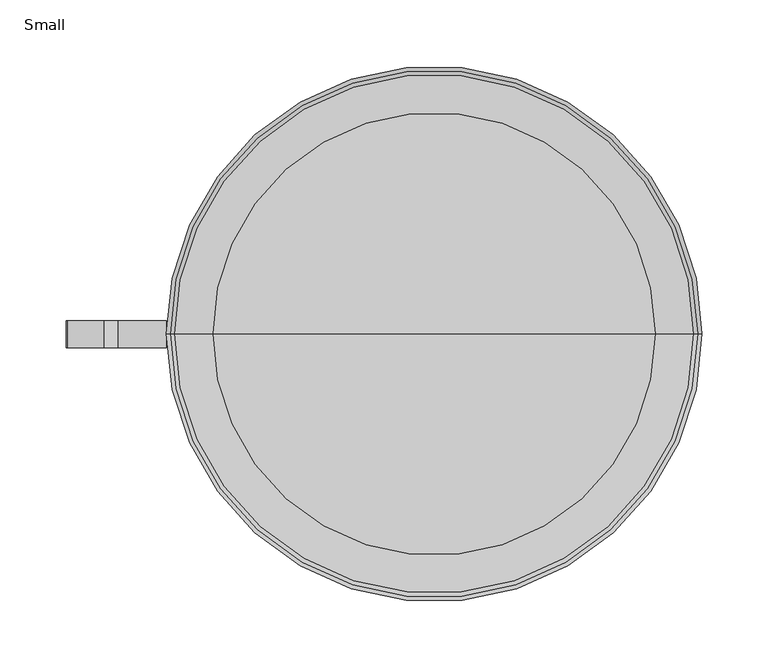
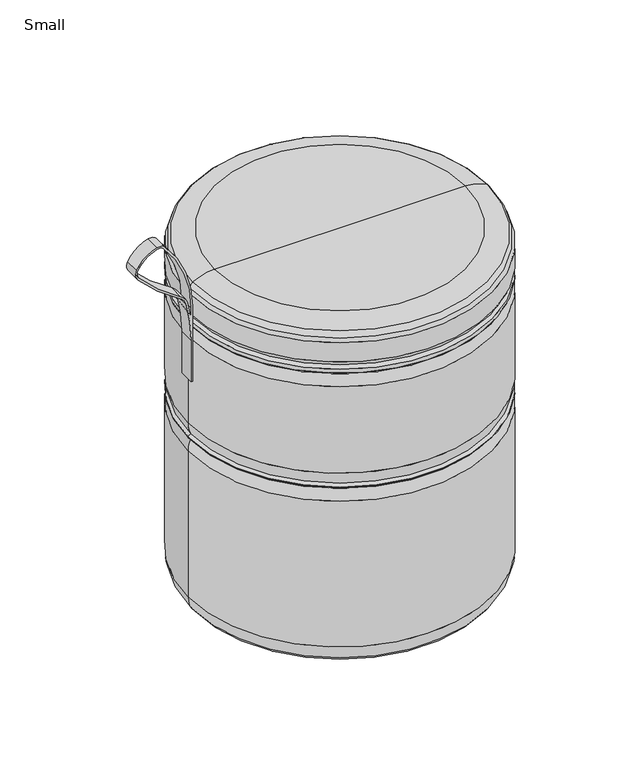
"""IFC4 building model written with IfcOpenShell, lengths in millimetres: furniture geometry, Small."""

from ifc_helpers import new_model, si_unit, point, frame, frame_2d, origin, place, context, project, spatial, polyline, circle_curve, ellipse_curve, trimmed, segment, composite_curve, outline, extrude, source, transform, mapped, element, save
from ifc_brep_helpers import plane_surface, cylinder_surface, revolved_surface, advanced_brep


def small_7fd7b9f1(model_context):
    return source(origin(), model_context, "Body", "SolidModel", [
        extrude(outline(composite_curve([segment(trimmed(circle_curve(frame_2d((445.8744867, -346.9344968)), 144.4964968), [point((445.8744867, -202.438))], [point((541.6966018, -238.7801634))], False, "CARTESIAN"), True, "CONTINUOUS"), segment(trimmed(circle_curve(frame_2d((534.7443018, -246.627218)), 10.4838324), [point((541.6966018, -238.7801634))], [point((544.8752143, -249.3245043))], False, "CARTESIAN"), True, "CONTINUOUS"), segment(trimmed(circle_curve(frame_2d((502.9009332, -238.1491386)), 43.4364947), [point((544.8752143, -249.3245043))], [point((522.5389094, -276.8928989))], False, "CARTESIAN"), True, "CONTINUOUS"), segment(trimmed(circle_curve(frame_2d((516.7971409, -265.5649646)), 12.7), [point((522.5389094, -276.8928989))], [point((508.2945566, -274.998737))], False, "CARTESIAN"), True, "CONTINUOUS"), segment(trimmed(circle_curve(frame_2d((665.8813741, -100.1532868)), 235.3816826), [point((508.2945566, -274.998737))], [point((462.8841985, -219.3031219))], False, "CARTESIAN"), True, "CONTINUOUS"), segment(trimmed(circle_curve(frame_2d((447.3620343, -228.4139054)), 17.9984431), [point((462.8841985, -219.3031219))], [point((451.5779444, -210.9161896))], True, "CARTESIAN"), True, "CONTINUOUS"), segment(trimmed(circle_curve(frame_2d((398.8927743, -429.5807531)), 224.9220276), [point((451.5779444, -210.9161896))], [point((398.8927743, -204.6587255))], True, "CARTESIAN"), True, "CONTINUOUS"), segment(polyline([(398.8927743, -204.6587255), (340.5455418, -204.6587255), (340.5455418, -202.438), (445.8744867, -202.438)]), True, "CONTINUOUS")], self_intersect=False), holes=[composite_curve([segment(trimmed(circle_curve(frame_2d((502.9009332, -238.1491386)), 40.8964947), [point((521.3905557, -274.627312))], [point((542.420719, -248.6710117))], True, "CARTESIAN"), True, "CONTINUOUS"), segment(trimmed(circle_curve(frame_2d((534.7443018, -246.627218)), 7.9438324), [point((542.420719, -248.6710117))], [point((540.0122137, -240.6813306))], True, "CARTESIAN"), True, "CONTINUOUS"), segment(trimmed(circle_curve(frame_2d((445.8744867, -346.9344968)), 141.9564968), [point((540.0122137, -240.6813306))], [point((445.8744867, -204.978))], True, "CARTESIAN"), True, "CONTINUOUS"), segment(polyline([(445.8744867, -204.978), (434.8452053, -204.978)]), True, "CONTINUOUS"), segment(trimmed(circle_curve(frame_2d((398.8927743, -429.5807531)), 227.4620276), [point((434.8452053, -204.978))], [point((452.1729076, -208.4468539))], False, "CARTESIAN"), True, "CONTINUOUS"), segment(trimmed(circle_curve(frame_2d((447.3620343, -228.4139054)), 20.5384431), [point((452.1729076, -208.4468539))], [point((465.0747378, -218.0173779))], False, "CARTESIAN"), True, "CONTINUOUS"), segment(trimmed(circle_curve(frame_2d((665.8813741, -100.1532868)), 232.8416826), [point((465.0747378, -218.0173779))], [point((509.9950735, -273.1119826))], True, "CARTESIAN"), True, "CONTINUOUS"), segment(trimmed(circle_curve(frame_2d((516.7971409, -265.5649646)), 10.16), [point((509.9950735, -273.1119826))], [point((521.3905557, -274.627312))], True, "CARTESIAN"), True, "CONTINUOUS")], self_intersect=False)]), frame((0.0, -10.6155736, 0.0), z_axis=(0.0, 1.0, 0.0), x_axis=(0.0, 0.0, 1.0)), (0.0, 0.0, 1.0), 20.6899865),
        advanced_brep(
        [(196.0743623, -0.0010058, 471.6327482), (-196.0743623, -0.0010058, 471.6327482), (-167.4951474, -0.0010058, 479.4961854), (167.4951474, -0.0010058, 479.4961854), (198.5602655, -0.0010058, 462.9286562), (-198.5602655, -0.0010058, 462.9286562), (202.438, -0.0010058, 459.0509217), (-202.438, -0.0010058, 459.0509217), (202.438, -0.0010058, 431.8053827), (-202.438, -0.0010058, 431.8053827), (198.5826394, -0.0010058, 425.1650904), (-198.5826394, -0.0010058, 425.1650904), (202.438, -0.0010058, 421.8630759), (-202.438, -0.0010058, 421.8630759), (202.438, -0.0010058, 416.5602961), (-202.438, -0.0010058, 416.5602961), (198.5826394, -0.0010058, 413.1129917), (-198.5826394, -0.0010058, 413.1129917), (202.438, -0.0010058, 397.1133869), (-202.438, -0.0010058, 397.1133869), (202.438, -0.0010058, 275.4172541), (-202.438, -0.0010058, 275.4172541), (198.5826394, -0.0010058, 258.8859957), (-198.5826394, -0.0010058, 258.8859957), (202.438, -0.0010058, 255.932668), (-202.438, -0.0010058, 255.932668), (202.438, -0.0010058, 254.9552959), (-202.438, -0.0010058, 254.9552959), (198.6310755, -0.0010058, 252.01165), (-198.6310755, -0.0010058, 252.01165), (202.438, -0.0010058, 236.0131186), (-202.438, -0.0010058, 236.0131186), (202.438, -0.0010058, 30.8964394), (-202.438, -0.0010058, 30.8964394), (196.8954572, -0.0010058, 11.9618462), (-196.8954572, -0.0010058, 11.9618462), (175.0323573, -0.0010058, 0.0), (-175.0323573, -0.0010058, 0.0), (0.0, -0.0010058, 0.0), (0.0, -0.0010058, 479.4961854)],
        [
            (0, 1, circle_curve(frame((0.0, -0.0010058, 471.6327482), z_axis=(0.0, 0.0, 1.0), x_axis=(-1.0, 0.0, 0.0)), 196.0743623)),
            (1, 2, circle_curve(frame((-167.4951474, -0.0010058, 423.6297019), z_axis=(0.0, 1.0, 0.0), x_axis=(1.0, 0.0, 0.0)), 55.8664835)),
            (2, 3, circle_curve(frame((0.0, -0.0010058, 479.4961854), z_axis=(0.0, 0.0, -1.0), x_axis=(-1.0, 0.0, 0.0)), 167.4951474)),
            (3, 0, circle_curve(frame((167.4951474, -0.0010058, 423.6297019), z_axis=(0.0, 1.0, 0.0), x_axis=(-1.0, 0.0, 0.0)), 55.8664835)),
            (1, 0, circle_curve(frame((0.0, -0.0010058, 471.6327482), z_axis=(0.0, 0.0, 1.0), x_axis=(-1.0, 0.0, 0.0)), 196.0743623)),
            (3, 2, circle_curve(frame((0.0, -0.0010058, 479.4961854), z_axis=(0.0, 0.0, -1.0), x_axis=(-1.0, 0.0, 0.0)), 167.4951474)),
            (4, 5, circle_curve(frame((0.0, -0.0010058, 462.9286562), z_axis=(0.0, 0.0, 1.0), x_axis=(-1.0, 0.0, 0.0)), 198.5602655)),
            (5, 1, circle_curve(frame((-192.6978374, -0.0010058, 465.961372), z_axis=(0.0, 1.0, 0.0), x_axis=(1.0, 0.0, 0.0)), 6.6004112)),
            (0, 4, circle_curve(frame((192.6978374, -0.0010058, 465.961372), z_axis=(0.0, 1.0, 0.0), x_axis=(-1.0, 0.0, 0.0)), 6.6004112)),
            (5, 4, circle_curve(frame((0.0, -0.0010058, 462.9286562), z_axis=(0.0, 0.0, 1.0), x_axis=(-1.0, 0.0, 0.0)), 198.5602655)),
            (6, 7, circle_curve(frame((0.0, -0.0010058, 459.0509217), z_axis=(0.0, 0.0, 1.0), x_axis=(-1.0, 0.0, 0.0)), 202.438)),
            (7, 5, circle_curve(frame((-194.3329951, -0.0010058, 454.8236514), z_axis=(0.0, 1.0, 0.0), x_axis=(1.0, 0.0, 0.0)), 9.1411661)),
            (4, 6, circle_curve(frame((194.3329951, -0.0010058, 454.8236514), z_axis=(0.0, 1.0, 0.0), x_axis=(-1.0, 0.0, 0.0)), 9.1411661)),
            (7, 6, circle_curve(frame((0.0, -0.0010058, 459.0509217), z_axis=(0.0, 0.0, 1.0), x_axis=(-1.0, 0.0, 0.0)), 202.438)),
            (8, 9, circle_curve(frame((0.0, -0.0010058, 431.8053827), z_axis=(0.0, 0.0, 1.0), x_axis=(-1.0, 0.0, 0.0)), 202.438)),
            (9, 7),
            (6, 8),
            (9, 8, circle_curve(frame((0.0, -0.0010058, 431.8053827), z_axis=(0.0, 0.0, 1.0), x_axis=(-1.0, 0.0, 0.0)), 202.438)),
            (10, 11, circle_curve(frame((0.0, -0.0010058, 425.1650904), z_axis=(0.0, 0.0, 1.0), x_axis=(-1.0, 0.0, 0.0)), 198.5826394)),
            (11, 9, circle_curve(frame((-189.6585324, -0.0010058, 434.7857955), z_axis=(0.0, 1.0, 0.0), x_axis=(1.0, 0.0, 0.0)), 13.1224104)),
            (8, 10, circle_curve(frame((189.6585324, -0.0010058, 434.7857955), z_axis=(0.0, 1.0, 0.0), x_axis=(-1.0, 0.0, 0.0)), 13.1224104)),
            (11, 10, circle_curve(frame((0.0, -0.0010058, 425.1650904), z_axis=(0.0, 0.0, 1.0), x_axis=(-1.0, 0.0, 0.0)), 198.5826394)),
            (12, 13, circle_curve(frame((0.0, -0.0010058, 421.8630759), z_axis=(0.0, 0.0, 1.0), x_axis=(-1.0, 0.0, 0.0)), 202.438)),
            (13, 11, circle_curve(frame((-197.7071095, -0.0010058, 420.2411156), z_axis=(0.0, 1.0, 0.0), x_axis=(1.0, 0.0, 0.0)), 5.0012079)),
            (10, 12, circle_curve(frame((197.7071095, -0.0010058, 420.2411156), z_axis=(0.0, 1.0, 0.0), x_axis=(-1.0, 0.0, 0.0)), 5.0012079)),
            (13, 12, circle_curve(frame((0.0, -0.0010058, 421.8630759), z_axis=(0.0, 0.0, 1.0), x_axis=(-1.0, 0.0, 0.0)), 202.438)),
            (14, 15, circle_curve(frame((0.0, -0.0010058, 416.5602961), z_axis=(0.0, 0.0, 1.0), x_axis=(-1.0, 0.0, 0.0)), 202.438)),
            (15, 13),
            (12, 14),
            (15, 14, circle_curve(frame((0.0, -0.0010058, 416.5602961), z_axis=(0.0, 0.0, 1.0), x_axis=(-1.0, 0.0, 0.0)), 202.438)),
            (16, 17, circle_curve(frame((0.0, -0.0010058, 413.1129917), z_axis=(0.0, 0.0, 1.0), x_axis=(-1.0, 0.0, 0.0)), 198.5826394)),
            (17, 15, circle_curve(frame((-197.810387, -0.0010058, 417.8561667), z_axis=(0.0, 1.0, 0.0), x_axis=(1.0, 0.0, 0.0)), 4.8056303)),
            (14, 16, circle_curve(frame((197.810387, -0.0010058, 417.8561667), z_axis=(0.0, 1.0, 0.0), x_axis=(-1.0, 0.0, 0.0)), 4.8056303)),
            (17, 16, circle_curve(frame((0.0, -0.0010058, 413.1129917), z_axis=(0.0, 0.0, 1.0), x_axis=(-1.0, 0.0, 0.0)), 198.5826394)),
            (18, 19, circle_curve(frame((0.0, -0.0010058, 397.1133869), z_axis=(0.0, 0.0, 1.0), x_axis=(-1.0, 0.0, 0.0)), 202.438)),
            (19, 17, circle_curve(frame((-167.3114338, -0.0010058, 397.1133869), z_axis=(0.0, 1.0, 0.0), x_axis=(1.0, 0.0, 0.0)), 35.1265662)),
            (16, 18, circle_curve(frame((167.3114338, -0.0010058, 397.1133869), z_axis=(0.0, 1.0, 0.0), x_axis=(-1.0, 0.0, 0.0)), 35.1265662)),
            (19, 18, circle_curve(frame((0.0, -0.0010058, 397.1133869), z_axis=(0.0, 0.0, 1.0), x_axis=(-1.0, 0.0, 0.0)), 202.438)),
            (20, 21, circle_curve(frame((0.0, -0.0010058, 275.4172541), z_axis=(0.0, 0.0, 1.0), x_axis=(-1.0, 0.0, 0.0)), 202.438)),
            (21, 19),
            (18, 20),
            (21, 20, circle_curve(frame((0.0, -0.0010058, 275.4172541), z_axis=(0.0, 0.0, 1.0), x_axis=(-1.0, 0.0, 0.0)), 202.438)),
            (22, 23, circle_curve(frame((0.0, -0.0010058, 258.8859957), z_axis=(0.0, 0.0, 1.0), x_axis=(-1.0, 0.0, 0.0)), 198.5826394)),
            (23, 21, circle_curve(frame((-165.0684334, -0.0010058, 275.4172541), z_axis=(0.0, 1.0, 0.0), x_axis=(1.0, 0.0, 0.0)), 37.3695666)),
            (20, 22, circle_curve(frame((165.0684334, -0.0010058, 275.4172541), z_axis=(0.0, 1.0, 0.0), x_axis=(-1.0, 0.0, 0.0)), 37.3695666)),
            (23, 22, circle_curve(frame((0.0, -0.0010058, 258.8859957), z_axis=(0.0, 0.0, 1.0), x_axis=(-1.0, 0.0, 0.0)), 198.5826394)),
            (24, 25, circle_curve(frame((0.0, -0.0010058, 255.932668), z_axis=(0.0, 0.0, 1.0), x_axis=(-1.0, 0.0, 0.0)), 202.438)),
            (25, 23, circle_curve(frame((-197.5367235, -0.0010058, 253.5275122), z_axis=(0.0, 1.0, 0.0), x_axis=(1.0, 0.0, 0.0)), 5.4596049)),
            (22, 24, circle_curve(frame((197.5367235, -0.0010058, 253.5275122), z_axis=(0.0, 1.0, 0.0), x_axis=(-1.0, 0.0, 0.0)), 5.4596049)),
            (25, 24, circle_curve(frame((0.0, -0.0010058, 255.932668), z_axis=(0.0, 0.0, 1.0), x_axis=(-1.0, 0.0, 0.0)), 202.438)),
            (26, 27, circle_curve(frame((0.0, -0.0010058, 254.9552959), z_axis=(0.0, 0.0, 1.0), x_axis=(-1.0, 0.0, 0.0)), 202.438)),
            (27, 25),
            (24, 26),
            (27, 26, circle_curve(frame((0.0, -0.0010058, 254.9552959), z_axis=(0.0, 0.0, 1.0), x_axis=(-1.0, 0.0, 0.0)), 202.438)),
            (28, 29, circle_curve(frame((0.0, -0.0010058, 252.01165), z_axis=(0.0, 0.0, 1.0), x_axis=(-1.0, 0.0, 0.0)), 198.6310755)),
            (29, 27, circle_curve(frame((-197.5367235, -0.0010058, 257.3604517), z_axis=(0.0, 1.0, 0.0), x_axis=(1.0, 0.0, 0.0)), 5.4596049)),
            (26, 28, circle_curve(frame((197.5367235, -0.0010058, 257.3604517), z_axis=(0.0, 1.0, 0.0), x_axis=(-1.0, 0.0, 0.0)), 5.4596049)),
            (29, 28, circle_curve(frame((0.0, -0.0010058, 252.01165), z_axis=(0.0, 0.0, 1.0), x_axis=(-1.0, 0.0, 0.0)), 198.6310755)),
            (30, 31, circle_curve(frame((0.0, -0.0010058, 236.0131186), z_axis=(0.0, 0.0, 1.0), x_axis=(-1.0, 0.0, 0.0)), 202.438)),
            (31, 29, circle_curve(frame((-166.9177677, -0.0010058, 236.0131186), z_axis=(0.0, 1.0, 0.0), x_axis=(1.0, 0.0, 0.0)), 35.5202323)),
            (28, 30, circle_curve(frame((166.9177677, -0.0010058, 236.0131186), z_axis=(0.0, 1.0, 0.0), x_axis=(-1.0, 0.0, 0.0)), 35.5202323)),
            (31, 30, circle_curve(frame((0.0, -0.0010058, 236.0131186), z_axis=(0.0, 0.0, 1.0), x_axis=(-1.0, 0.0, 0.0)), 202.438)),
            (32, 33, circle_curve(frame((0.0, -0.0010058, 30.8964394), z_axis=(0.0, 0.0, 1.0), x_axis=(-1.0, 0.0, 0.0)), 202.438)),
            (33, 31),
            (30, 32),
            (33, 32, circle_curve(frame((0.0, -0.0010058, 30.8964394), z_axis=(0.0, 0.0, 1.0), x_axis=(-1.0, 0.0, 0.0)), 202.438)),
            (34, 35, circle_curve(frame((0.0, -0.0010058, 11.9618462), z_axis=(0.0, 0.0, 1.0), x_axis=(-1.0, 0.0, 0.0)), 196.8954572)),
            (35, 33, circle_curve(frame((-167.3242792, -0.0010058, 30.8964394), z_axis=(0.0, 1.0, 0.0), x_axis=(1.0, 0.0, 0.0)), 35.1137208)),
            (32, 34, circle_curve(frame((167.3242792, -0.0010058, 30.8964394), z_axis=(0.0, 1.0, 0.0), x_axis=(-1.0, 0.0, 0.0)), 35.1137208)),
            (35, 34, circle_curve(frame((0.0, -0.0010058, 11.9618462), z_axis=(0.0, 0.0, 1.0), x_axis=(-1.0, 0.0, 0.0)), 196.8954572)),
            (36, 37, circle_curve(frame((0.0, -0.0010058, 0.0), z_axis=(0.0, 0.0, 1.0), x_axis=(-1.0, 0.0, 0.0)), 175.0323573)),
            (37, 35, circle_curve(frame((-175.0323573, -0.0010058, 25.9609132), z_axis=(0.0, 1.0, 0.0), x_axis=(1.0, 0.0, 0.0)), 25.9609132)),
            (34, 36, circle_curve(frame((175.0323573, -0.0010058, 25.9609132), z_axis=(0.0, 1.0, 0.0), x_axis=(-1.0, 0.0, 0.0)), 25.9609132)),
            (37, 36, circle_curve(frame((0.0, -0.0010058, 0.0), z_axis=(0.0, 0.0, 1.0), x_axis=(-1.0, 0.0, 0.0)), 175.0323573)),
            (38, 37),
            (36, 38),
            (2, 39),
            (39, 3),
        ],
        [
            revolved_surface(trimmed(ellipse_curve(frame((-167.4951474, -0.0010058, 423.6297019), z_axis=(0.0, -1.0, 0.0), x_axis=(1.0, 0.0, 0.0)), 55.8664835, 55.8664835), [point((-167.4951474, -0.0010058, 479.4961854))], [point((-196.0743623, -0.0010058, 471.6327482))], True, "CARTESIAN"), (0.0, -0.0010058, 482.7391961), (0.0, 0.0, -1.0)),
            revolved_surface(trimmed(ellipse_curve(frame((-192.6978374, -0.0010058, 465.961372), z_axis=(0.0, -1.0, 0.0), x_axis=(1.0, 0.0, 0.0)), 6.6004112, 6.6004112), [point((-196.0743623, -0.0010058, 471.6327482))], [point((-198.5602655, -0.0010058, 462.9286562))], True, "CARTESIAN"), (0.0, -0.0010058, 482.7391961), (0.0, 0.0, -1.0)),
            revolved_surface(trimmed(ellipse_curve(frame((-194.3329951, -0.0010058, 454.8236514), z_axis=(0.0, -1.0, 0.0), x_axis=(1.0, 0.0, 0.0)), 9.1411661, 9.1411661), [point((-198.5602655, -0.0010058, 462.9286562))], [point((-202.438, -0.0010058, 459.0509217))], True, "CARTESIAN"), (0.0, -0.0010058, 482.7391961), (0.0, 0.0, -1.0)),
            cylinder_surface(frame((0.0, -0.0010058, 482.7391961), z_axis=(0.0, 0.0, -1.0), x_axis=(-1.0, 0.0, 0.0)), 202.438),
            revolved_surface(trimmed(ellipse_curve(frame((-189.6585324, -0.0010058, 434.7857955), z_axis=(0.0, -1.0, 0.0), x_axis=(1.0, 0.0, 0.0)), 13.1224104, 13.1224104), [point((-202.438, -0.0010058, 431.8053827))], [point((-198.5826394, -0.0010058, 425.1650904))], True, "CARTESIAN"), (0.0, -0.0010058, 482.7391961), (0.0, 0.0, -1.0)),
            revolved_surface(trimmed(ellipse_curve(frame((-197.7071095, -0.0010058, 420.2411156), z_axis=(0.0, -1.0, 0.0), x_axis=(1.0, 0.0, 0.0)), 5.0012079, 5.0012079), [point((-198.5826394, -0.0010058, 425.1650904))], [point((-202.438, -0.0010058, 421.8630759))], True, "CARTESIAN"), (0.0, -0.0010058, 482.7391961), (0.0, 0.0, -1.0)),
            revolved_surface(trimmed(ellipse_curve(frame((-197.810387, -0.0010058, 417.8561667), z_axis=(0.0, -1.0, 0.0), x_axis=(1.0, 0.0, 0.0)), 4.8056303, 4.8056303), [point((-202.438, -0.0010058, 416.5602961))], [point((-198.5826394, -0.0010058, 413.1129917))], True, "CARTESIAN"), (0.0, -0.0010058, 482.7391961), (0.0, 0.0, -1.0)),
            revolved_surface(trimmed(ellipse_curve(frame((-167.3114338, -0.0010058, 397.1133869), z_axis=(0.0, -1.0, 0.0), x_axis=(1.0, 0.0, 0.0)), 35.1265662, 35.1265662), [point((-198.5826394, -0.0010058, 413.1129917))], [point((-202.438, -0.0010058, 397.1133869))], True, "CARTESIAN"), (0.0, -0.0010058, 482.7391961), (0.0, 0.0, -1.0)),
            revolved_surface(trimmed(ellipse_curve(frame((-165.0684334, -0.0010058, 275.4172541), z_axis=(0.0, -1.0, 0.0), x_axis=(1.0, 0.0, 0.0)), 37.3695666, 37.3695666), [point((-202.438, -0.0010058, 275.4172541))], [point((-198.5826394, -0.0010058, 258.8859957))], True, "CARTESIAN"), (0.0, -0.0010058, 482.7391961), (0.0, 0.0, -1.0)),
            revolved_surface(trimmed(ellipse_curve(frame((-197.5367235, -0.0010058, 253.5275122), z_axis=(0.0, -1.0, 0.0), x_axis=(1.0, 0.0, 0.0)), 5.4596049, 5.4596049), [point((-198.5826394, -0.0010058, 258.8859957))], [point((-202.438, -0.0010058, 255.932668))], True, "CARTESIAN"), (0.0, -0.0010058, 482.7391961), (0.0, 0.0, -1.0)),
            revolved_surface(trimmed(ellipse_curve(frame((-197.5367235, -0.0010058, 257.3604517), z_axis=(0.0, -1.0, 0.0), x_axis=(1.0, 0.0, 0.0)), 5.4596049, 5.4596049), [point((-202.438, -0.0010058, 254.9552959))], [point((-198.6310755, -0.0010058, 252.01165))], True, "CARTESIAN"), (0.0, -0.0010058, 482.7391961), (0.0, 0.0, -1.0)),
            revolved_surface(trimmed(ellipse_curve(frame((-166.9177677, -0.0010058, 236.0131186), z_axis=(0.0, -1.0, 0.0), x_axis=(1.0, 0.0, 0.0)), 35.5202323, 35.5202323), [point((-198.6310755, -0.0010058, 252.01165))], [point((-202.438, -0.0010058, 236.0131186))], True, "CARTESIAN"), (0.0, -0.0010058, 482.7391961), (0.0, 0.0, -1.0)),
            revolved_surface(trimmed(ellipse_curve(frame((-167.3242792, -0.0010058, 30.8964394), z_axis=(0.0, -1.0, 0.0), x_axis=(1.0, 0.0, 0.0)), 35.1137208, 35.1137208), [point((-202.438, -0.0010058, 30.8964394))], [point((-196.8954572, -0.0010058, 11.9618462))], True, "CARTESIAN"), (0.0, -0.0010058, 482.7391961), (0.0, 0.0, -1.0)),
            revolved_surface(trimmed(ellipse_curve(frame((-175.0323573, -0.0010058, 25.9609132), z_axis=(0.0, -1.0, 0.0), x_axis=(1.0, 0.0, 0.0)), 25.9609132, 25.9609132), [point((-196.8954572, -0.0010058, 11.9618462))], [point((-175.0323573, -0.0010058, 0.0))], True, "CARTESIAN"), (0.0, -0.0010058, 482.7391961), (0.0, 0.0, -1.0)),
            plane_surface(frame((0.0, -0.0010058, 0.0), z_axis=(0.0, 0.0, -1.0), x_axis=(-1.0, 0.0, 0.0))),
            plane_surface(frame((0.0, -0.0010058, 479.4961854), z_axis=(0.0, 0.0, 1.0), x_axis=(-1.0, 0.0, 0.0))),
        ],
        [
            (0, [[1, 2, 3, 4]]),
            (0, [[5, -4, 6, -2]]),
            (1, [[7, 8, -1, 9]]),
            (1, [[10, -9, -5, -8]]),
            (2, [[11, 12, -7, 13]]),
            (2, [[14, -13, -10, -12]]),
            (3, [[15, 16, -11, 17]]),
            (3, [[18, -17, -14, -16]]),
            (4, [[19, 20, -15, 21]]),
            (4, [[22, -21, -18, -20]]),
            (5, [[23, 24, -19, 25]]),
            (5, [[26, -25, -22, -24]]),
            (3, [[27, 28, -23, 29]]),
            (3, [[30, -29, -26, -28]]),
            (6, [[31, 32, -27, 33]]),
            (6, [[34, -33, -30, -32]]),
            (7, [[35, 36, -31, 37]]),
            (7, [[38, -37, -34, -36]]),
            (3, [[39, 40, -35, 41]]),
            (3, [[42, -41, -38, -40]]),
            (8, [[43, 44, -39, 45]]),
            (8, [[46, -45, -42, -44]]),
            (9, [[47, 48, -43, 49]]),
            (9, [[50, -49, -46, -48]]),
            (3, [[51, 52, -47, 53]]),
            (3, [[54, -53, -50, -52]]),
            (10, [[55, 56, -51, 57]]),
            (10, [[58, -57, -54, -56]]),
            (11, [[59, 60, -55, 61]]),
            (11, [[62, -61, -58, -60]]),
            (3, [[63, 64, -59, 65]]),
            (3, [[66, -65, -62, -64]]),
            (12, [[67, 68, -63, 69]]),
            (12, [[70, -69, -66, -68]]),
            (13, [[71, 72, -67, 73]]),
            (13, [[74, -73, -70, -72]]),
            (14, [[75, -71, 76]]),
            (14, [[-76, -74, -75]]),
            (15, [[-3, 77, 78]]),
            (15, [[-6, -78, -77]]),
        ],
    ),
    ])


if __name__ == "__main__":
    model = new_model("IFC4")
    model_context = context("Model", 3, world=origin())
    ifc_project = project(units=[si_unit("LENGTHUNIT", "METRE", prefix="MILLI")], contexts=[model_context])
    site = spatial("IfcSite", under=ifc_project)
    building = spatial("IfcBuilding", under=site)
    placement = place(None, origin())
    small_shape = small_7fd7b9f1(model_context)
    element("IfcFurniture", 1, ObjectType="Small", at=placement, inside=building, context=model_context, shape_type="MappedRepresentation", body=[
        mapped(small_shape, transform((0.0, 0.0, 0.0), x_axis=(1.0, 0.0, 0.0), y_axis=(0.0, 1.0, 0.0), z_axis=(0.0, 0.0, 1.0))),
    ])
    save(model, "model.ifc")
